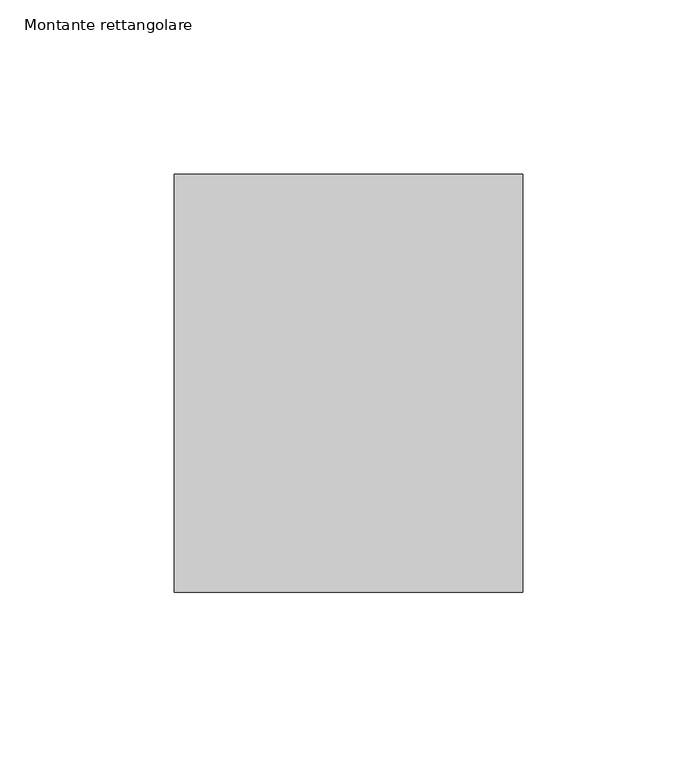
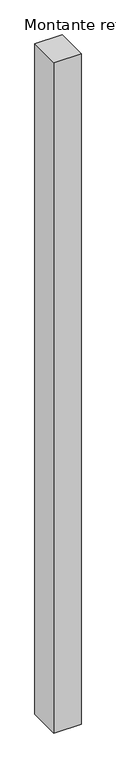
"""IFC4 building model written with IfcOpenShell, lengths in millimetres: member geometry, Montante rettangolare."""

from ifc_helpers import new_model, si_unit, frame, origin, place, context, project, spatial, polyline, outline, extrude, source, transform, mapped, element, save


def montante_rettangolare_95a97053(model_context):
    return source(origin(), model_context, "Body", "SweptSolid", [
        extrude(outline(polyline([(0.0, 60.0), (0.0, -60.0), (-100.0, -60.0), (-100.0, 60.0), (0.0, 60.0)])), frame((0.0, 0.0, -2600.0), z_axis=(0.0, 0.0, 1.0), x_axis=(1.0, 0.0, 0.0)), (0.0, 0.0, 1.0), 2600.0),
    ])


if __name__ == "__main__":
    model = new_model("IFC4")
    model_context = context("Model", 3, world=origin())
    ifc_project = project(units=[si_unit("LENGTHUNIT", "METRE", prefix="MILLI")], contexts=[model_context])
    site = spatial("IfcSite", under=ifc_project)
    building = spatial("IfcBuilding", under=site)
    placement = place(None, origin())
    montante_rettangolare_shape = montante_rettangolare_95a97053(model_context)
    element("IfcMember", 1, ObjectType="Montante rettangolare", at=placement, inside=building, context=model_context, shape_type="MappedRepresentation", body=[
        mapped(montante_rettangolare_shape, transform((0.0, 0.0, 0.0), x_axis=(1.0, 0.0, 0.0), y_axis=(0.0, 1.0, 0.0), z_axis=(0.0, 0.0, 1.0))),
    ])
    save(model, "model.ifc")
